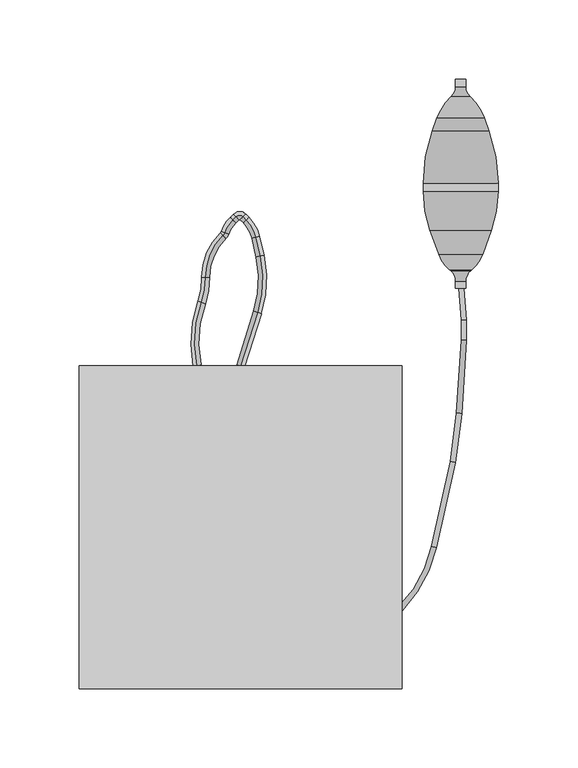
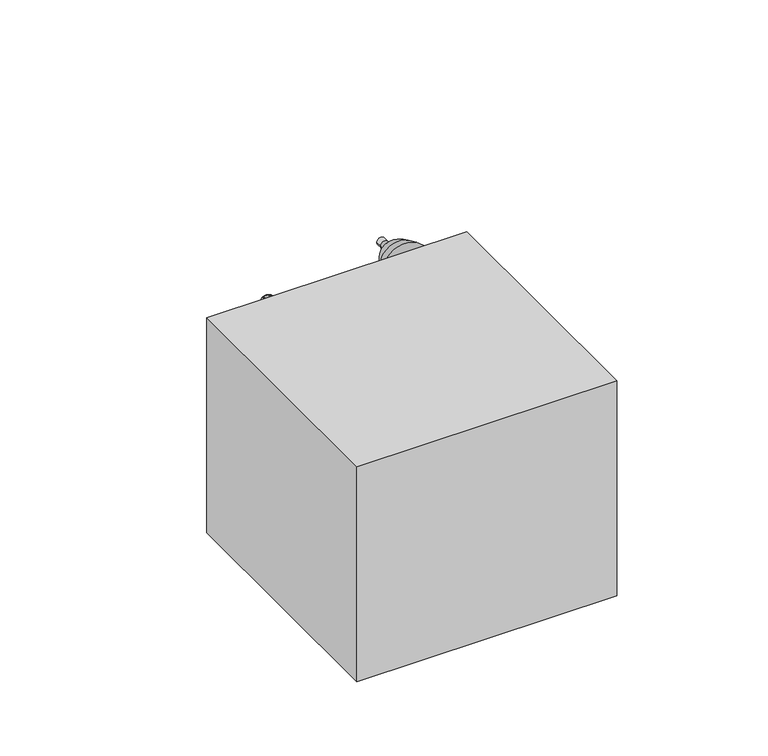
"""IFC4 building model written with IfcOpenShell, lengths in millimetres: proxy geometry."""

from ifc_helpers import new_model, si_unit, point, frame, frame_2d, origin, origin_with_axes, place, context, project, spatial, polyline, circle_curve, ellipse_curve, trimmed, segment, composite_curve, outline, extrude, source, transform, mapped, element, save
from ifc_brep_helpers import plane_surface, cylinder_surface, revolved_surface, extruded_surface, advanced_brep


def specialty_equipment_44eabff9(model_context):
    return source(origin(), model_context, "Body", "SolidModel", [
        advanced_brep(
        [(0.0, 0.0, 93.3890108), (0.0, 0.0, 103.4609892), (10.60129, 33.4899695, 103.4609892), (10.60129, 33.4899695, 93.3890108), (12.1452256, 68.8519095, 103.4609892), (12.1452256, 68.8519095, 93.3890108), (9.4902706, 80.7634297, 103.4609892), (9.4902706, 80.7634297, 93.3890108), (3.5257448, 91.6206606, 103.4609892), (3.5257448, 91.6206606, 93.3890108), (1.489236, 93.6571694, 103.4609892), (1.489236, 93.6571694, 93.3890108), (-2.7411458, 93.6571694, 103.4609892), (-2.7411458, 93.6571694, 93.3890108), (-4.6658712, 91.732444, 103.4609892), (-4.6658712, 91.732444, 93.3890108), (-9.7582734, 83.8141156, 103.4609892), (-9.7582734, 83.8141156, 93.3890108), (-10.9708227, 81.9675873, 103.4609892), (-10.9708227, 81.9675873, 93.3890108), (-21.9594666, 55.7504476, 103.4609892), (-21.9594666, 55.7504476, 93.3890108), (-24.5939327, 39.9510684, 103.4609892), (-24.5939327, 39.9510684, 93.3890108), (-27.3580457, 0.1117834, 93.3890108), (-27.3580457, 0.1117834, 103.4609892)],
        [
            (0, 1, ellipse_curve(frame((0.0, 0.0, 98.425), z_axis=(-0.30179165133573443, -0.9533739031377199, 0.0), x_axis=(0.0, 0.0, 1.0)), 5.0359892, 2.5179946)),
            (1, 0, ellipse_curve(frame((0.0, 0.0, 98.425), z_axis=(-0.30179165133573443, -0.9533739031377199, 0.0), x_axis=(0.0, 0.0, 1.0)), 5.0359892, 2.5179946)),
            (1, 2),
            (2, 3, ellipse_curve(frame((10.60129, 33.4899695, 98.425), z_axis=(-0.3017916513357344, -0.9533739031377201, 0.0), x_axis=(0.0, 0.0, 1.0)), 5.0359892, 2.5179946)),
            (3, 0),
            (3, 2, ellipse_curve(frame((10.60129, 33.4899695, 98.425), z_axis=(-0.3017916513357344, -0.9533739031377201, 0.0), x_axis=(0.0, 0.0, 1.0)), 5.0359892, 2.5179946)),
            (4, 5, ellipse_curve(frame((12.1452256, 68.8519095, 98.425), z_axis=(0.21755123234481016, -0.976048903132038, 0.0), x_axis=(0.0, 0.0, 1.0)), 5.0359892, 2.5179946)),
            (5, 3, circle_curve(frame((-54.3137244, 54.0388951, 93.3890108), z_axis=(0.0, 0.0, -1.0), x_axis=(0.9533739031377199, -0.3017916513357344, 0.0)), 68.0897748)),
            (2, 4, circle_curve(frame((-54.3137244, 54.0388951, 103.4609892), z_axis=(0.0, 0.0, 1.0), x_axis=(0.9533739031377199, -0.3017916513357344, 0.0)), 68.0897748)),
            (5, 4, ellipse_curve(frame((12.1452256, 68.8519095, 98.425), z_axis=(0.21755123234481044, -0.9760489031320381, 0.0), x_axis=(0.0, 0.0, 1.0)), 5.0359892, 2.5179946)),
            (4, 6),
            (6, 7, ellipse_curve(frame((9.4902706, 80.7634297, 98.425), z_axis=(0.21755123234481058, -0.9760489031320381, 0.0), x_axis=(0.0, 0.0, 1.0)), 5.0359892, 2.5179946)),
            (7, 5),
            (7, 6, ellipse_curve(frame((9.4902706, 80.7634297, 98.425), z_axis=(0.21755123234481058, -0.9760489031320381, 0.0), x_axis=(0.0, 0.0, 1.0)), 5.0359892, 2.5179946)),
            (8, 9, ellipse_curve(frame((3.5257448, 91.6206606, 98.425), z_axis=(0.7071067811865475, -0.7071067811865477, 0.0), x_axis=(0.0, 0.0, 1.0)), 5.0359892, 2.5179946)),
            (9, 7, circle_curve(frame((-12.1562786, 75.9386371, 93.3890108), z_axis=(0.0, 0.0, -1.0), x_axis=(0.9760489031320378, 0.21755123234481052, 0.0)), 22.1777302)),
            (6, 8, circle_curve(frame((-12.1562786, 75.9386371, 103.4609892), z_axis=(0.0, 0.0, 1.0), x_axis=(0.9760489031320378, 0.21755123234481052, 0.0)), 22.1777302)),
            (9, 8, ellipse_curve(frame((3.5257448, 91.6206606, 98.425), z_axis=(0.7071067811865479, -0.7071067811865472, 0.0), x_axis=(0.0, 0.0, 1.0)), 5.0359892, 2.5179946)),
            (8, 10),
            (10, 11, ellipse_curve(frame((1.489236, 93.6571694, 98.425), z_axis=(0.7071067811865424, -0.7071067811865528, 0.0), x_axis=(0.0, 0.0, 1.0)), 5.0359892, 2.5179946)),
            (11, 9),
            (11, 10, ellipse_curve(frame((1.489236, 93.6571694, 98.425), z_axis=(0.7071067811865424, -0.7071067811865528, 0.0), x_axis=(0.0, 0.0, 1.0)), 5.0359892, 2.5179946)),
            (12, 13, ellipse_curve(frame((-2.7411458, 93.6571694, 98.425), z_axis=(0.7071067811865475, 0.7071067811865477, 0.0), x_axis=(0.0, 0.0, 1.0)), 5.0359892, 2.5179946)),
            (13, 11, circle_curve(frame((-0.6259549, 91.5419785, 93.3890108), z_axis=(0.0, 0.0, -1.0), x_axis=(0.7071067811865528, 0.7071067811865424, 0.0)), 2.9913317)),
            (10, 12, circle_curve(frame((-0.6259549, 91.5419785, 103.4609892), z_axis=(0.0, 0.0, 1.0), x_axis=(0.7071067811865528, 0.7071067811865424, 0.0)), 2.9913317)),
            (13, 12, ellipse_curve(frame((-2.7411458, 93.6571694, 98.425), z_axis=(0.707106781186545, 0.7071067811865501, 0.0), x_axis=(0.0, 0.0, 1.0)), 5.0359892, 2.5179946)),
            (12, 14),
            (14, 15, ellipse_curve(frame((-4.6658712, 91.732444, 98.425), z_axis=(0.7071067811865434, 0.7071067811865517, 0.0), x_axis=(0.0, 0.0, 1.0)), 5.0359892, 2.5179946)),
            (15, 13),
            (15, 14, ellipse_curve(frame((-4.6658712, 91.732444, 98.425), z_axis=(0.7071067811865434, 0.7071067811865517, 0.0), x_axis=(0.0, 0.0, 1.0)), 5.0359892, 2.5179946)),
            (16, 17, ellipse_curve(frame((-9.7582734, 83.8141156, 98.425), z_axis=(0.35006716200403615, 0.9367246031179283, 0.0), x_axis=(0.0, 0.0, 1.0)), 5.0359892, 2.5179946)),
            (17, 15, circle_curve(frame((11.0161522, 76.0504205, 93.3890108), z_axis=(0.0, 0.0, -1.0), x_axis=(-0.7071067811865517, 0.7071067811865434, 0.0)), 22.1777302)),
            (14, 16, circle_curve(frame((11.0161522, 76.0504205, 103.4609892), z_axis=(0.0, 0.0, 1.0), x_axis=(-0.7071067811865517, 0.7071067811865434, 0.0)), 22.1777302)),
            (17, 16, ellipse_curve(frame((-9.7582734, 83.8141156, 98.425), z_axis=(0.35006716200403576, 0.9367246031179283, 0.0), x_axis=(0.0, 0.0, 1.0)), 5.0359892, 2.5179946)),
            (18, 19, ellipse_curve(frame((-10.9708227, 81.9675873, 98.425), z_axis=(0.7204486556395677, 0.6935082801143326, 0.0), x_axis=(0.0, 0.0, 1.0)), 5.0359892, 2.5179946)),
            (19, 17, circle_curve(frame((-14.4282922, 85.5593673, 93.3890108), z_axis=(0.0, 0.0, 1.0), x_axis=(0.9367246031179312, -0.3500671620040279, 0.0)), 4.9854768)),
            (16, 18, circle_curve(frame((-14.4282922, 85.5593673, 103.4609892), z_axis=(0.0, 0.0, -1.0), x_axis=(0.9367246031179312, -0.3500671620040279, 0.0)), 4.9854768)),
            (19, 18, ellipse_curve(frame((-10.9708227, 81.9675873, 98.425), z_axis=(0.7204486556395684, 0.693508280114332, 0.0), x_axis=(0.0, 0.0, 1.0)), 5.0359892, 2.5179946)),
            (20, 21, ellipse_curve(frame((-21.9594666, 55.7504476, 98.425), z_axis=(-0.010655908230738531, 0.9999432241981432, 0.0), x_axis=(0.0, 0.0, 1.0)), 5.0359892, 2.5179946)),
            (21, 19, circle_curve(frame((13.8981281, 56.1325645, 93.3890108), z_axis=(0.0, 0.0, -1.0), x_axis=(-0.6935082801143324, 0.7204486556395678, 0.0)), 35.8596307)),
            (18, 20, circle_curve(frame((13.8981281, 56.1325645, 103.4609892), z_axis=(0.0, 0.0, 1.0), x_axis=(-0.6935082801143324, 0.7204486556395678, 0.0)), 35.8596307)),
            (21, 20, ellipse_curve(frame((-21.9594666, 55.7504476, 98.425), z_axis=(-0.010655908230738587, 0.9999432241981432, 0.0), x_axis=(0.0, 0.0, 1.0)), 5.0359892, 2.5179946)),
            (22, 23, ellipse_curve(frame((-24.5939327, 39.9510684, 98.425), z_axis=(0.3345293139852315, 0.9423853447950952, 0.0), x_axis=(0.0, 0.0, 1.0)), 5.0359892, 2.5179946)),
            (23, 21, circle_curve(frame((-67.7275968, 55.2627189, 93.3890108), z_axis=(0.0, 0.0, 1.0), x_axis=(0.9999432241981431, 0.010655908230754234, 0.0)), 45.7707289)),
            (20, 22, circle_curve(frame((-67.7275968, 55.2627189, 103.4609892), z_axis=(0.0, 0.0, -1.0), x_axis=(0.9999432241981431, 0.010655908230754234, 0.0)), 45.7707289)),
            (23, 22, ellipse_curve(frame((-24.5939327, 39.9510684, 98.425), z_axis=(0.3345293139852315, 0.9423853447950952, 0.0), x_axis=(0.0, 0.0, 1.0)), 5.0359892, 2.5179946)),
            (24, 25, ellipse_curve(frame((-27.3580457, 0.1117834, 98.425), z_axis=(0.2011821163330489, -0.9795538556239548, 0.0), x_axis=(0.0, 0.0, 1.0)), 5.0359892, 2.5179946)),
            (25, 24, ellipse_curve(frame((-27.3580457, 0.1117834, 98.425), z_axis=(0.2011821163330489, -0.9795538556239548, 0.0), x_axis=(0.0, 0.0, 1.0)), 5.0359892, 2.5179946)),
            (24, 23, circle_curve(frame((45.4884963, 15.0731063, 93.3890108), z_axis=(0.0, 0.0, -1.0), x_axis=(-0.9423853447950952, 0.33452931398523145, 0.0)), 74.3670617)),
            (22, 25, circle_curve(frame((45.4884963, 15.0731063, 103.4609892), z_axis=(0.0, 0.0, 1.0), x_axis=(-0.9423853447950952, 0.33452931398523145, 0.0)), 74.3670617)),
        ],
        [
            plane_surface(frame((0.0, 0.0, 98.425), z_axis=(-0.30179165133573443, -0.9533739031377199, 0.0), x_axis=(0.0, 0.0, 1.0))),
            extruded_surface(trimmed(ellipse_curve(frame((0.0, 0.0, 98.425), z_axis=(0.30179165133573443, 0.9533739031377199, 0.0), x_axis=(0.0, 0.0, 1.0)), 5.0359892, 2.5179946), [point((0.0, 0.0, 93.3890108))], [point((0.0, 0.0, 103.4609892))], True, "CARTESIAN"), (10.60129, 33.4899695, 0.0), 35.1278437535672),
            extruded_surface(trimmed(ellipse_curve(frame((0.0, 0.0, 98.425), z_axis=(0.30179165133573443, 0.9533739031377199, 0.0), x_axis=(0.0, 0.0, 1.0)), 5.0359892, 2.5179946), [point((0.0, 0.0, 103.4609892))], [point((0.0, 0.0, 93.3890108))], True, "CARTESIAN"), (10.60129, 33.4899695, 0.0), 35.1278437535672),
            revolved_surface(trimmed(ellipse_curve(frame((10.60129, 33.4899695, 98.425), z_axis=(0.3017916513357343, 0.9533739031377199, 0.0), x_axis=(0.0, 0.0, 1.0)), 5.0359892, 2.5179946), [point((10.60129, 33.4899695, 93.3890108))], [point((10.60129, 33.4899695, 103.4609892))], True, "CARTESIAN"), (-54.3137244, 54.0388951, 98.425), (0.0, 0.0, -1.0)),
            revolved_surface(trimmed(ellipse_curve(frame((10.60129, 33.4899695, 98.425), z_axis=(0.3017916513357343, 0.9533739031377199, 0.0), x_axis=(0.0, 0.0, 1.0)), 5.0359892, 2.5179946), [point((10.60129, 33.4899695, 103.4609892))], [point((10.60129, 33.4899695, 93.3890108))], True, "CARTESIAN"), (-54.3137244, 54.0388951, 98.425), (0.0, 0.0, -1.0)),
            extruded_surface(trimmed(ellipse_curve(frame((12.1452256, 68.8519095, 98.425), z_axis=(-0.2175512323448103, 0.976048903132038, 0.0), x_axis=(0.0, 0.0, 1.0)), 5.0359892, 2.5179946), [point((12.1452256, 68.8519095, 93.3890108))], [point((12.1452256, 68.8519095, 103.4609892))], True, "CARTESIAN"), (-2.6549549999999993, 11.911520199999998, 0.0), 12.203814957915126),
            extruded_surface(trimmed(ellipse_curve(frame((12.1452256, 68.8519095, 98.425), z_axis=(-0.2175512323448103, 0.976048903132038, 0.0), x_axis=(0.0, 0.0, 1.0)), 5.0359892, 2.5179946), [point((12.1452256, 68.8519095, 103.4609892))], [point((12.1452256, 68.8519095, 93.3890108))], True, "CARTESIAN"), (-2.6549549999999993, 11.911520199999998, 0.0), 12.203814957915126),
            revolved_surface(trimmed(ellipse_curve(frame((9.4902706, 80.7634297, 98.425), z_axis=(-0.21755123234481052, 0.9760489031320378, 0.0), x_axis=(0.0, 0.0, 1.0)), 5.0359892, 2.5179946), [point((9.4902706, 80.7634297, 93.3890108))], [point((9.4902706, 80.7634297, 103.4609892))], True, "CARTESIAN"), (-12.1562786, 75.9386371, 98.425), (0.0, 0.0, -1.0)),
            revolved_surface(trimmed(ellipse_curve(frame((9.4902706, 80.7634297, 98.425), z_axis=(-0.21755123234481052, 0.9760489031320378, 0.0), x_axis=(0.0, 0.0, 1.0)), 5.0359892, 2.5179946), [point((9.4902706, 80.7634297, 103.4609892))], [point((9.4902706, 80.7634297, 93.3890108))], True, "CARTESIAN"), (-12.1562786, 75.9386371, 98.425), (0.0, 0.0, -1.0)),
            extruded_surface(trimmed(ellipse_curve(frame((3.5257448, 91.6206606, 98.425), z_axis=(-0.707106781186548, 0.707106781186547, 0.0), x_axis=(0.0, 0.0, 1.0)), 5.0359892, 2.5179946), [point((3.5257448, 91.6206606, 93.3890108))], [point((3.5257448, 91.6206606, 103.4609892))], True, "CARTESIAN"), (-2.0365088, 2.036508800000007, 0.0), 2.8800583648521623),
            extruded_surface(trimmed(ellipse_curve(frame((3.5257448, 91.6206606, 98.425), z_axis=(-0.707106781186548, 0.707106781186547, 0.0), x_axis=(0.0, 0.0, 1.0)), 5.0359892, 2.5179946), [point((3.5257448, 91.6206606, 103.4609892))], [point((3.5257448, 91.6206606, 93.3890108))], True, "CARTESIAN"), (-2.0365088, 2.036508800000007, 0.0), 2.8800583648521623),
            revolved_surface(trimmed(ellipse_curve(frame((1.489236, 93.6571694, 98.425), z_axis=(-0.7071067811865424, 0.7071067811865528, 0.0), x_axis=(0.0, 0.0, 1.0)), 5.0359892, 2.5179946), [point((1.489236, 93.6571694, 93.3890108))], [point((1.489236, 93.6571694, 103.4609892))], True, "CARTESIAN"), (-0.6259549, 91.5419785, 98.425), (0.0, 0.0, -1.0)),
            revolved_surface(trimmed(ellipse_curve(frame((1.489236, 93.6571694, 98.425), z_axis=(-0.7071067811865424, 0.7071067811865528, 0.0), x_axis=(0.0, 0.0, 1.0)), 5.0359892, 2.5179946), [point((1.489236, 93.6571694, 103.4609892))], [point((1.489236, 93.6571694, 93.3890108))], True, "CARTESIAN"), (-0.6259549, 91.5419785, 98.425), (0.0, 0.0, -1.0)),
            extruded_surface(trimmed(ellipse_curve(frame((-2.7411458, 93.6571694, 98.425), z_axis=(-0.707106781186542, -0.7071067811865531, 0.0), x_axis=(0.0, 0.0, 1.0)), 5.0359892, 2.5179946), [point((-2.7411458, 93.6571694, 93.3890108))], [point((-2.7411458, 93.6571694, 103.4609892))], True, "CARTESIAN"), (-1.9247253999999998, -1.9247253999999998, 0.0), 2.72197276452398),
            extruded_surface(trimmed(ellipse_curve(frame((-2.7411458, 93.6571694, 98.425), z_axis=(-0.707106781186542, -0.7071067811865531, 0.0), x_axis=(0.0, 0.0, 1.0)), 5.0359892, 2.5179946), [point((-2.7411458, 93.6571694, 103.4609892))], [point((-2.7411458, 93.6571694, 93.3890108))], True, "CARTESIAN"), (-1.9247253999999998, -1.9247253999999998, 0.0), 2.72197276452398),
            revolved_surface(trimmed(ellipse_curve(frame((-4.6658712, 91.732444, 98.425), z_axis=(-0.7071067811865434, -0.7071067811865517, 0.0), x_axis=(0.0, 0.0, 1.0)), 5.0359892, 2.5179946), [point((-4.6658712, 91.732444, 93.3890108))], [point((-4.6658712, 91.732444, 103.4609892))], True, "CARTESIAN"), (11.0161522, 76.0504205, 98.425), (0.0, 0.0, -1.0)),
            revolved_surface(trimmed(ellipse_curve(frame((-4.6658712, 91.732444, 98.425), z_axis=(-0.7071067811865434, -0.7071067811865517, 0.0), x_axis=(0.0, 0.0, 1.0)), 5.0359892, 2.5179946), [point((-4.6658712, 91.732444, 103.4609892))], [point((-4.6658712, 91.732444, 93.3890108))], True, "CARTESIAN"), (11.0161522, 76.0504205, 98.425), (0.0, 0.0, -1.0)),
            revolved_surface(trimmed(ellipse_curve(frame((-9.7582734, 83.8141156, 98.425), z_axis=(-0.350067162004028, -0.9367246031179312, 0.0), x_axis=(0.0, 0.0, 1.0)), 5.0359892, 2.5179946), [point((-9.7582734, 83.8141156, 93.3890108))], [point((-9.7582734, 83.8141156, 103.4609892))], True, "CARTESIAN"), (-14.4282922, 85.5593673, 98.425), (0.0, 0.0, 1.0)),
            revolved_surface(trimmed(ellipse_curve(frame((-9.7582734, 83.8141156, 98.425), z_axis=(-0.350067162004028, -0.9367246031179312, 0.0), x_axis=(0.0, 0.0, 1.0)), 5.0359892, 2.5179946), [point((-9.7582734, 83.8141156, 103.4609892))], [point((-9.7582734, 83.8141156, 93.3890108))], True, "CARTESIAN"), (-14.4282922, 85.5593673, 98.425), (0.0, 0.0, 1.0)),
            revolved_surface(trimmed(ellipse_curve(frame((-10.9708227, 81.9675873, 98.425), z_axis=(-0.7204486556395681, -0.6935082801143322, 0.0), x_axis=(0.0, 0.0, 1.0)), 5.0359892, 2.5179946), [point((-10.9708227, 81.9675873, 93.3890108))], [point((-10.9708227, 81.9675873, 103.4609892))], True, "CARTESIAN"), (13.8981281, 56.1325645, 98.425), (0.0, 0.0, -1.0)),
            revolved_surface(trimmed(ellipse_curve(frame((-10.9708227, 81.9675873, 98.425), z_axis=(-0.7204486556395681, -0.6935082801143322, 0.0), x_axis=(0.0, 0.0, 1.0)), 5.0359892, 2.5179946), [point((-10.9708227, 81.9675873, 103.4609892))], [point((-10.9708227, 81.9675873, 93.3890108))], True, "CARTESIAN"), (13.8981281, 56.1325645, 98.425), (0.0, 0.0, -1.0)),
            revolved_surface(trimmed(ellipse_curve(frame((-21.9594666, 55.7504476, 98.425), z_axis=(0.010655908230753961, -0.9999432241981431, 0.0), x_axis=(0.0, 0.0, 1.0)), 5.0359892, 2.5179946), [point((-21.9594666, 55.7504476, 93.3890108))], [point((-21.9594666, 55.7504476, 103.4609892))], True, "CARTESIAN"), (-67.7275968, 55.2627189, 98.425), (0.0, 0.0, 1.0)),
            revolved_surface(trimmed(ellipse_curve(frame((-21.9594666, 55.7504476, 98.425), z_axis=(0.010655908230753961, -0.9999432241981431, 0.0), x_axis=(0.0, 0.0, 1.0)), 5.0359892, 2.5179946), [point((-21.9594666, 55.7504476, 103.4609892))], [point((-21.9594666, 55.7504476, 93.3890108))], True, "CARTESIAN"), (-67.7275968, 55.2627189, 98.425), (0.0, 0.0, 1.0)),
            plane_surface(frame((-27.3580457, 0.1117834, 98.425), z_axis=(0.201182116333049, -0.9795538556239548, 0.0), x_axis=(0.0, 0.0, 1.0))),
            revolved_surface(trimmed(ellipse_curve(frame((-24.5939327, 39.9510684, 98.425), z_axis=(-0.3345293139852318, -0.9423853447950951, 0.0), x_axis=(0.0, 0.0, 1.0)), 5.0359892, 2.5179946), [point((-24.5939327, 39.9510684, 93.3890108))], [point((-24.5939327, 39.9510684, 103.4609892))], True, "CARTESIAN"), (45.4884963, 15.0731063, 98.425), (0.0, 0.0, -1.0)),
            revolved_surface(trimmed(ellipse_curve(frame((-24.5939327, 39.9510684, 98.425), z_axis=(-0.3345293139852318, -0.9423853447950951, 0.0), x_axis=(0.0, 0.0, 1.0)), 5.0359892, 2.5179946), [point((-24.5939327, 39.9510684, 103.4609892))], [point((-24.5939327, 39.9510684, 93.3890108))], True, "CARTESIAN"), (45.4884963, 15.0731063, 98.425), (0.0, 0.0, -1.0)),
        ],
        [
            (0, [[1, 2]]),
            (1, [[3, 4, 5, -2]]),
            (2, [[-5, 6, -3, -1]]),
            (3, [[7, 8, -4, 9]]),
            (4, [[10, -9, -6, -8]]),
            (5, [[11, 12, 13, -7]]),
            (6, [[-13, 14, -11, -10]]),
            (7, [[15, 16, -12, 17]]),
            (8, [[18, -17, -14, -16]]),
            (9, [[19, 20, 21, -15]]),
            (10, [[-21, 22, -19, -18]]),
            (11, [[23, 24, -20, 25]]),
            (12, [[26, -25, -22, -24]]),
            (13, [[27, 28, 29, -23]]),
            (14, [[-29, 30, -27, -26]]),
            (15, [[31, 32, -28, 33]]),
            (16, [[34, -33, -30, -32]]),
            (17, [[35, 36, -31, 37]]),
            (18, [[38, -37, -34, -36]]),
            (19, [[39, 40, -35, 41]]),
            (20, [[42, -41, -38, -40]]),
            (21, [[43, 44, -39, 45]]),
            (22, [[46, -45, -42, -44]]),
            (23, [[47, 48]]),
            (24, [[-47, 49, -43, 50]]),
            (25, [[-48, -50, -46, -49]]),
        ],
    ),
        advanced_brep(
        [(138.1282079, 48.8005767, 47.6946196), (135.3817713, 48.8005767, 47.6946196), (141.8571136, 48.8005767, 47.6946196), (139.110677, 48.8005767, 47.6946196), (138.1282079, 180.1855223, 47.6946196), (139.110677, 180.1855223, 47.6946196), (135.3817713, 180.1855223, 47.6946196), (141.8571136, 180.1855223, 47.6946196), (135.3817713, 175.5632852, 47.6946196), (141.8571136, 175.5632852, 47.6946196), (132.7169258, 169.4696535, 47.6946196), (144.5219592, 169.4696535, 47.6946196), (123.7575473, 155.9951928, 47.6946196), (153.4813376, 155.9951928, 47.6946196), (120.8482177, 148.0018755, 47.6946196), (156.3906672, 148.0018755, 47.6946196), (114.9866942, 114.7595239, 47.6946196), (162.2521907, 114.7595239, 47.6946196), (114.9866942, 109.7483973, 47.6946196), (162.2521907, 109.7483973, 47.6946196), (119.3165907, 85.1923341, 47.6946196), (157.9222942, 85.1923341, 47.6946196), (124.8056359, 70.1113063, 47.6946196), (152.433249, 70.1113063, 47.6946196), (131.6106524, 60.3927356, 47.6946196), (145.6282325, 60.3927356, 47.6946196), (132.2844617, 59.8273424, 47.6946196), (144.9544232, 59.8273424, 47.6946196), (135.3817713, 53.1851407, 47.6946196), (141.8571136, 53.1851407, 47.6946196)],
        [
            (0, 1),
            (1, 2, circle_curve(frame((138.6194425, 48.8005767, 47.6946196), z_axis=(0.0, -1.0, 0.0), x_axis=(1.0, 0.0, 0.0)), 3.2376712)),
            (2, 3),
            (3, 0, circle_curve(frame((138.6194425, 48.8005767, 47.6946196), z_axis=(0.0, 1.0, 0.0), x_axis=(1.0, 0.0, 0.0)), 0.4912345)),
            (2, 1, circle_curve(frame((138.6194425, 48.8005767, 47.6946196), z_axis=(0.0, -1.0, 0.0), x_axis=(1.0, 0.0, 0.0)), 3.2376712)),
            (0, 3, circle_curve(frame((138.6194425, 48.8005767, 47.6946196), z_axis=(0.0, 1.0, 0.0), x_axis=(1.0, 0.0, 0.0)), 0.4912345)),
            (4, 0),
            (3, 5),
            (5, 4, circle_curve(frame((138.6194425, 180.1855223, 47.6946196), z_axis=(0.0, 1.0, 0.0), x_axis=(1.0, 0.0, 0.0)), 0.4912345)),
            (4, 5, circle_curve(frame((138.6194425, 180.1855223, 47.6946196), z_axis=(0.0, 1.0, 0.0), x_axis=(1.0, 0.0, 0.0)), 0.4912345)),
            (6, 4),
            (5, 7),
            (7, 6, circle_curve(frame((138.6194425, 180.1855223, 47.6946196), z_axis=(0.0, 1.0, 0.0), x_axis=(1.0, 0.0, 0.0)), 3.2376712)),
            (6, 7, circle_curve(frame((138.6194425, 180.1855223, 47.6946196), z_axis=(0.0, 1.0, 0.0), x_axis=(1.0, 0.0, 0.0)), 3.2376712)),
            (8, 6),
            (7, 9),
            (9, 8, circle_curve(frame((138.6194425, 175.5632852, 47.6946196), z_axis=(0.0, 1.0, 0.0), x_axis=(1.0, 0.0, 0.0)), 3.2376712)),
            (8, 9, circle_curve(frame((138.6194425, 175.5632852, 47.6946196), z_axis=(0.0, 1.0, 0.0), x_axis=(1.0, 0.0, 0.0)), 3.2376712)),
            (10, 8, circle_curve(frame((127.0822753, 175.5632852, 47.6946196), z_axis=(0.0, 0.0, 1.0), x_axis=(-1.0, 0.0, 0.0)), 8.299496)),
            (9, 11, circle_curve(frame((150.1566096, 175.5632852, 47.6946196), z_axis=(0.0, 0.0, 1.0), x_axis=(1.0, 0.0, 0.0)), 8.299496)),
            (11, 10, circle_curve(frame((138.6194425, 169.4696535, 47.6946196), z_axis=(0.0, 1.0, 0.0), x_axis=(1.0, 0.0, 0.0)), 5.9025167)),
            (10, 11, circle_curve(frame((138.6194425, 169.4696535, 47.6946196), z_axis=(0.0, 1.0, 0.0), x_axis=(1.0, 0.0, 0.0)), 5.9025167)),
            (12, 10, circle_curve(frame((156.0419683, 144.2446246, 47.6946196), z_axis=(0.0, 0.0, -1.0), x_axis=(-1.0, 0.0, 0.0)), 34.3563632)),
            (11, 13, circle_curve(frame((121.1969167, 144.2446246, 47.6946196), z_axis=(0.0, 0.0, -1.0), x_axis=(1.0, 0.0, 0.0)), 34.3563632)),
            (13, 12, circle_curve(frame((138.6194425, 155.9951928, 47.6946196), z_axis=(0.0, 1.0, 0.0), x_axis=(1.0, 0.0, 0.0)), 14.8618952)),
            (12, 13, circle_curve(frame((138.6194425, 155.9951928, 47.6946196), z_axis=(0.0, 1.0, 0.0), x_axis=(1.0, 0.0, 0.0)), 14.8618952)),
            (14, 12),
            (13, 15),
            (15, 14, circle_curve(frame((138.6194425, 148.0018755, 47.6946196), z_axis=(0.0, 1.0, 0.0), x_axis=(1.0, 0.0, 0.0)), 17.7712248)),
            (14, 15, circle_curve(frame((138.6194425, 148.0018755, 47.6946196), z_axis=(0.0, 1.0, 0.0), x_axis=(1.0, 0.0, 0.0)), 17.7712248)),
            (16, 14, circle_curve(frame((212.1808279, 114.7595239, 47.6946196), z_axis=(0.0, 0.0, -1.0), x_axis=(-1.0, 0.0, 0.0)), 97.1941337)),
            (15, 17, circle_curve(frame((65.058057, 114.7595239, 47.6946196), z_axis=(0.0, 0.0, -1.0), x_axis=(1.0, 0.0, 0.0)), 97.1941337)),
            (17, 16, circle_curve(frame((138.6194425, 114.7595239, 47.6946196), z_axis=(0.0, 1.0, 0.0), x_axis=(1.0, 0.0, 0.0)), 23.6327482)),
            (16, 17, circle_curve(frame((138.6194425, 114.7595239, 47.6946196), z_axis=(0.0, 1.0, 0.0), x_axis=(1.0, 0.0, 0.0)), 23.6327482)),
            (18, 16),
            (17, 19),
            (19, 18, circle_curve(frame((138.6194425, 109.7483973, 47.6946196), z_axis=(0.0, 1.0, 0.0), x_axis=(1.0, 0.0, 0.0)), 23.6327482)),
            (18, 19, circle_curve(frame((138.6194425, 109.7483973, 47.6946196), z_axis=(0.0, 1.0, 0.0), x_axis=(1.0, 0.0, 0.0)), 23.6327482)),
            (20, 18, circle_curve(frame((186.7838197, 109.7483973, 47.6946196), z_axis=(0.0, 0.0, -1.0), x_axis=(-1.0, 0.0, 0.0)), 71.7971255)),
            (19, 21, circle_curve(frame((90.4550652, 109.7483973, 47.6946196), z_axis=(0.0, 0.0, -1.0), x_axis=(1.0, 0.0, 0.0)), 71.7971255)),
            (21, 20, circle_curve(frame((138.6194425, 85.1923341, 47.6946196), z_axis=(0.0, 1.0, 0.0), x_axis=(1.0, 0.0, 0.0)), 19.3028518)),
            (20, 21, circle_curve(frame((138.6194425, 85.1923341, 47.6946196), z_axis=(0.0, 1.0, 0.0), x_axis=(1.0, 0.0, 0.0)), 19.3028518)),
            (22, 20),
            (21, 23),
            (23, 22, circle_curve(frame((138.6194425, 70.1113063, 47.6946196), z_axis=(0.0, 1.0, 0.0), x_axis=(1.0, 0.0, 0.0)), 13.8138065)),
            (22, 23, circle_curve(frame((138.6194425, 70.1113063, 47.6946196), z_axis=(0.0, 1.0, 0.0), x_axis=(1.0, 0.0, 0.0)), 13.8138065)),
            (24, 22, circle_curve(frame((146.3432441, 77.9503546, 47.6946196), z_axis=(0.0, 0.0, -1.0), x_axis=(-1.0, 0.0, 0.0)), 22.9198439)),
            (23, 25, circle_curve(frame((130.8956408, 77.9503546, 47.6946196), z_axis=(0.0, 0.0, -1.0), x_axis=(1.0, 0.0, 0.0)), 22.9198439)),
            (25, 24, circle_curve(frame((138.6194425, 60.3927356, 47.6946196), z_axis=(0.0, 1.0, 0.0), x_axis=(1.0, 0.0, 0.0)), 7.00879)),
            (24, 25, circle_curve(frame((138.6194425, 60.3927356, 47.6946196), z_axis=(0.0, 1.0, 0.0), x_axis=(1.0, 0.0, 0.0)), 7.00879)),
            (26, 24),
            (25, 27),
            (27, 26, circle_curve(frame((138.6194425, 59.8273424, 47.6946196), z_axis=(0.0, 1.0, 0.0), x_axis=(1.0, 0.0, 0.0)), 6.3349807)),
            (26, 27, circle_curve(frame((138.6194425, 59.8273424, 47.6946196), z_axis=(0.0, 1.0, 0.0), x_axis=(1.0, 0.0, 0.0)), 6.3349807)),
            (28, 26, circle_curve(frame((126.7109927, 53.1851407, 47.6946196), z_axis=(0.0, 0.0, 1.0), x_axis=(-1.0, 0.0, 0.0)), 8.6707786)),
            (27, 29, circle_curve(frame((150.5278923, 53.1851407, 47.6946196), z_axis=(0.0, 0.0, 1.0), x_axis=(1.0, 0.0, 0.0)), 8.6707786)),
            (29, 28, circle_curve(frame((138.6194425, 53.1851407, 47.6946196), z_axis=(0.0, 1.0, 0.0), x_axis=(1.0, 0.0, 0.0)), 3.2376712)),
            (28, 29, circle_curve(frame((138.6194425, 53.1851407, 47.6946196), z_axis=(0.0, 1.0, 0.0), x_axis=(1.0, 0.0, 0.0)), 3.2376712)),
            (1, 28),
            (29, 2),
        ],
        [
            plane_surface(frame((138.6194425, 48.8005767, 47.6946196), z_axis=(0.0, -1.0, 0.0), x_axis=(1.0, 0.0, 0.0))),
            revolved_surface(polyline([(139.11067699999998, 48.8005767, 47.6946196), (139.11067699999998, 180.1855223, 47.6946196)]), (138.6194425, 48.8005767, 47.6946196), (0.0, -1.0, 0.0)),
            plane_surface(frame((138.6194425, 180.1855223, 47.6946196), z_axis=(0.0, 1.0, 0.0), x_axis=(1.0, 0.0, 0.0))),
            cylinder_surface(frame((138.6194425, 48.8005767, 47.6946196), z_axis=(0.0, -1.0, 0.0), x_axis=(1.0, 0.0, 0.0)), 3.2376712),
            revolved_surface(trimmed(ellipse_curve(frame((150.1566096, 175.5632852, 47.6946196), z_axis=(0.0, 0.0, 1.0), x_axis=(1.0, 0.0, 0.0)), 8.299496, 8.299496), [point((141.8571136, 175.5632852, 47.6946196))], [point((144.5219592, 169.4696535, 47.6946196))], True, "CARTESIAN"), (138.6194425, 48.8005767, 47.6946196), (0.0, -1.0, 0.0)),
            revolved_surface(trimmed(ellipse_curve(frame((121.1969167, 144.2446246, 47.6946196), z_axis=(0.0, 0.0, -1.0), x_axis=(1.0, 0.0, 0.0)), 34.3563632, 34.3563632), [point((144.5219592, 169.4696535, 47.6946196))], [point((153.4813376, 155.9951928, 47.6946196))], True, "CARTESIAN"), (138.6194425, 48.8005767, 47.6946196), (0.0, -1.0, 0.0)),
            revolved_surface(polyline([(153.4813376, 155.9951928, 47.6946196), (156.3906672, 148.0018755, 47.6946196)]), (138.6194425, 48.8005767, 47.6946196), (0.0, -1.0, 0.0)),
            revolved_surface(trimmed(ellipse_curve(frame((65.058057, 114.7595239, 47.6946196), z_axis=(0.0, 0.0, -1.0), x_axis=(1.0, 0.0, 0.0)), 97.1941337, 97.1941337), [point((156.3906672, 148.0018755, 47.6946196))], [point((162.2521907, 114.7595239, 47.6946196))], True, "CARTESIAN"), (138.6194425, 48.8005767, 47.6946196), (0.0, -1.0, 0.0)),
            cylinder_surface(frame((138.6194425, 48.8005767, 47.6946196), z_axis=(0.0, -1.0, 0.0), x_axis=(1.0, 0.0, 0.0)), 23.6327482),
            revolved_surface(trimmed(ellipse_curve(frame((90.4550652, 109.7483973, 47.6946196), z_axis=(0.0, 0.0, -1.0), x_axis=(1.0, 0.0, 0.0)), 71.7971255, 71.7971255), [point((162.2521907, 109.7483973, 47.6946196))], [point((157.9222942, 85.1923341, 47.6946196))], True, "CARTESIAN"), (138.6194425, 48.8005767, 47.6946196), (0.0, -1.0, 0.0)),
            revolved_surface(polyline([(157.9222942, 85.1923341, 47.6946196), (152.433249, 70.1113063, 47.6946196)]), (138.6194425, 48.8005767, 47.6946196), (0.0, -1.0, 0.0)),
            revolved_surface(trimmed(ellipse_curve(frame((130.8956408, 77.9503546, 47.6946196), z_axis=(0.0, 0.0, -1.0), x_axis=(1.0, 0.0, 0.0)), 22.9198439, 22.9198439), [point((152.433249, 70.1113063, 47.6946196))], [point((145.6282325, 60.3927356, 47.6946196))], True, "CARTESIAN"), (138.6194425, 48.8005767, 47.6946196), (0.0, -1.0, 0.0)),
            revolved_surface(polyline([(145.6282325, 60.3927356, 47.6946196), (144.9544232, 59.8273424, 47.6946196)]), (138.6194425, 48.8005767, 47.6946196), (0.0, -1.0, 0.0)),
            revolved_surface(trimmed(ellipse_curve(frame((150.5278923, 53.1851407, 47.6946196), z_axis=(0.0, 0.0, 1.0), x_axis=(1.0, 0.0, 0.0)), 8.6707786, 8.6707786), [point((144.9544232, 59.8273424, 47.6946196))], [point((141.8571136, 53.1851407, 47.6946196))], True, "CARTESIAN"), (138.6194425, 48.8005767, 47.6946196), (0.0, -1.0, 0.0)),
        ],
        [
            (0, [[1, 2, 3, 4]]),
            (0, [[-3, 5, -1, 6]]),
            (1, [[7, -4, 8, 9]]),
            (1, [[-8, -6, -7, 10]]),
            (2, [[11, -9, 12, 13]]),
            (2, [[-12, -10, -11, 14]]),
            (3, [[15, -13, 16, 17]]),
            (3, [[-16, -14, -15, 18]]),
            (4, [[19, -17, 20, 21]]),
            (4, [[-20, -18, -19, 22]]),
            (5, [[23, -21, 24, 25]]),
            (5, [[-24, -22, -23, 26]]),
            (6, [[27, -25, 28, 29]]),
            (6, [[-28, -26, -27, 30]]),
            (7, [[31, -29, 32, 33]]),
            (7, [[-32, -30, -31, 34]]),
            (8, [[35, -33, 36, 37]]),
            (8, [[-36, -34, -35, 38]]),
            (9, [[39, -37, 40, 41]]),
            (9, [[-40, -38, -39, 42]]),
            (10, [[43, -41, 44, 45]]),
            (10, [[-44, -42, -43, 46]]),
            (11, [[47, -45, 48, 49]]),
            (11, [[-48, -46, -47, 50]]),
            (12, [[51, -49, 52, 53]]),
            (12, [[-52, -50, -51, 54]]),
            (13, [[55, -53, 56, 57]]),
            (13, [[-56, -54, -55, 58]]),
            (3, [[59, -57, 60, -2]]),
            (3, [[-60, -58, -59, -5]]),
        ],
    ),
        extrude(outline(composite_curve([segment(polyline([(60.0140495, 56.9161892), (60.0140495, -51.3523862)]), True, "CONTINUOUS"), segment(trimmed(circle_curve(frame_2d((49.7730325, -51.3523862)), 10.2410171), [point((60.0140495, -51.3523862))], [point((49.7730325, -61.5934033))], False, "CARTESIAN"), True, "CONTINUOUS"), segment(polyline([(49.7730325, -61.5934033), (47.625, -61.5934033)]), True, "CONTINUOUS"), segment(trimmed(circle_curve(frame_2d((47.625, -55.2434033)), 6.35), [point((47.625, -61.5934033))], [point((41.275, -55.2434033))], False, "CARTESIAN"), True, "CONTINUOUS"), segment(polyline([(41.275, -55.2434033), (41.275, 56.9161892)]), True, "CONTINUOUS"), segment(trimmed(circle_curve(frame_2d((47.625, 56.9161892)), 6.35), [point((41.275, 56.9161892))], [point((47.625, 63.2661892))], False, "CARTESIAN"), True, "CONTINUOUS"), segment(polyline([(47.625, 63.2661892), (53.6640495, 63.2661892)]), True, "CONTINUOUS"), segment(trimmed(circle_curve(frame_2d((53.6640495, 56.9161892)), 6.35), [point((53.6640495, 63.2661892))], [point((60.0140495, 56.9161892))], False, "CARTESIAN"), True, "CONTINUOUS")], self_intersect=False)), frame((0.0, -184.15, 0.0), z_axis=(0.0, 1.0, 0.0), x_axis=(0.0, 0.0, 1.0)), (0.0, 0.0, 1.0), 49.3242444),
        extrude(outline(polyline([(1.4455759, -86.4782162), (-0.7959523, -86.4782162), (0.3248118, -26.9185099), (1.4455759, -86.4782162)])), frame((0.0, 0.0, 98.425), z_axis=(0.0, 0.0, 1.0), x_axis=(1.0, 0.0, 0.0)), (0.0, 0.0, 1.0), 1.5875),
        advanced_brep(
        [(64.1302409, -157.2064783, 47.6946196), (63.006649, -160.2935217, 47.6946196), (78.2964296, -165.8585468, 47.6946196), (79.4200216, -162.7715033, 47.6946196), (93.3436181, -162.5226654, 47.6946196), (91.020657, -160.1997043, 47.6946196), (101.7868533, -154.0794302, 47.6946196), (99.4638922, -151.7564691, 47.6946196), (123.3936687, -114.6421744, 47.6946196), (120.1855696, -113.9347877, 47.6946196), (135.2214894, -61.0013237, 47.6946196), (132.0133902, -60.2939371, 47.6946196), (139.2461165, -30.2081991, 47.6946196), (135.9885723, -29.7831085, 47.6946196), (142.2495065, 16.0179543, 47.6946196), (138.9643435, 16.0179543, 47.6946196), (142.2495065, 28.7184587, 47.6946196), (138.9643435, 28.7184587, 47.6946196), (137.4726358, 48.678532, 47.6946196), (140.7487182, 48.9226214, 47.6946196)],
        [
            (0, 1, circle_curve(frame((63.568445, -158.75, 47.6946196), z_axis=(-0.9396926207859115, 0.3420201433256602, 0.0), x_axis=(-0.3420201433256602, -0.9396926207859115, 0.0)), 1.6425815)),
            (1, 0, circle_curve(frame((63.568445, -158.75, 47.6946196), z_axis=(-0.9396926207859115, 0.3420201433256602, 0.0), x_axis=(-0.3420201433256602, -0.9396926207859115, 0.0)), 1.6425815)),
            (1, 2),
            (2, 3, circle_curve(frame((78.8582256, -164.315025, 47.6946196), z_axis=(-0.9396926207859115, 0.3420201433256602, 0.0), x_axis=(-0.3420201433256602, -0.9396926207859115, 0.0)), 1.6425815)),
            (3, 0),
            (3, 2, circle_curve(frame((78.8582256, -164.315025, 47.6946196), z_axis=(-0.9396926207859115, 0.3420201433256602, 0.0), x_axis=(-0.3420201433256602, -0.9396926207859115, 0.0)), 1.6425815)),
            (4, 5, circle_curve(frame((92.1821375, -161.3611849, 47.6946196), z_axis=(-0.7071067811865455, -0.7071067811865497, 0.0), x_axis=(0.7071067811865497, -0.7071067811865455, 0.0)), 1.6425815)),
            (5, 3, circle_curve(frame((83.2018814, -152.3809287, 47.6946196), z_axis=(0.0, 0.0, -1.0), x_axis=(-0.34202014332565955, -0.9396926207859118, 0.0)), 11.0574185)),
            (2, 4, circle_curve(frame((83.2018814, -152.3809287, 47.6946196), z_axis=(0.0, 0.0, 1.0), x_axis=(-0.34202014332565955, -0.9396926207859118, 0.0)), 14.3425815)),
            (5, 4, circle_curve(frame((92.1821375, -161.3611849, 47.6946196), z_axis=(-0.7071067811865466, -0.7071067811865483, 0.0), x_axis=(0.7071067811865483, -0.7071067811865466, 0.0)), 1.6425815)),
            (4, 6),
            (6, 7, circle_curve(frame((100.6253728, -152.9179497, 47.6946196), z_axis=(-0.7071067811865462, -0.7071067811865489, 0.0), x_axis=(0.7071067811865489, -0.7071067811865462, 0.0)), 1.6425815)),
            (7, 5),
            (7, 6, circle_curve(frame((100.6253728, -152.9179497, 47.6946196), z_axis=(-0.7071067811865462, -0.7071067811865489, 0.0), x_axis=(0.7071067811865489, -0.7071067811865462, 0.0)), 1.6425815)),
            (8, 9, circle_curve(frame((121.7896192, -114.2884811, 47.6946196), z_axis=(-0.21532771486204516, -0.9765418450902603, 0.0), x_axis=(0.9765418450902603, -0.21532771486204516, 0.0)), 1.6425815)),
            (9, 7, circle_curve(frame((45.0818146, -97.3743915, 47.6946196), z_axis=(0.0, 0.0, -1.0), x_axis=(0.7071067811865482, -0.7071067811865469, 0.0)), 76.9078718)),
            (6, 8, circle_curve(frame((45.0818146, -97.3743915, 47.6946196), z_axis=(0.0, 0.0, 1.0), x_axis=(0.7071067811865482, -0.7071067811865469, 0.0)), 80.1930348)),
            (9, 8, circle_curve(frame((121.7896192, -114.2884811, 47.6946196), z_axis=(-0.21532771486204516, -0.9765418450902603, 0.0), x_axis=(0.9765418450902603, -0.21532771486204516, 0.0)), 1.6425815)),
            (8, 10),
            (10, 11, circle_curve(frame((133.6174398, -60.6476304, 47.6946196), z_axis=(-0.21532771486204544, -0.9765418450902602, 0.0), x_axis=(0.9765418450902602, -0.21532771486204544, 0.0)), 1.6425815)),
            (11, 9),
            (11, 10, circle_curve(frame((133.6174398, -60.6476304, 47.6946196), z_axis=(-0.21532771486204544, -0.9765418450902602, 0.0), x_axis=(0.9765418450902602, -0.21532771486204544, 0.0)), 1.6425815)),
            (10, 12),
            (12, 13, circle_curve(frame((137.6173444, -29.9956538, 47.6946196), z_axis=(-0.12939709806477467, -0.9915928554666049, 0.0), x_axis=(0.9915928554666049, -0.12939709806477467, 0.0)), 1.6425815)),
            (13, 11),
            (13, 12, circle_curve(frame((137.6173444, -29.9956538, 47.6946196), z_axis=(-0.12939709806477467, -0.9915928554666049, 0.0), x_axis=(0.9915928554666049, -0.12939709806477467, 0.0)), 1.6425815)),
            (14, 15, circle_curve(frame((140.606925, 16.0179543, 47.6946196), z_axis=(0.0, -1.0, 0.0), x_axis=(1.0, 0.0, 0.0)), 1.6425815)),
            (15, 13, circle_curve(frame((-214.993075, 16.0179543, 47.6946196), z_axis=(0.0, 0.0, -1.0), x_axis=(0.9915928554666049, -0.12939709806477429, 0.0)), 353.9574185)),
            (12, 14, circle_curve(frame((-214.993075, 16.0179543, 47.6946196), z_axis=(0.0, 0.0, 1.0), x_axis=(0.9915928554666049, -0.12939709806477429, 0.0)), 357.2425815)),
            (15, 14, circle_curve(frame((140.606925, 16.0179543, 47.6946196), z_axis=(0.0, -1.0, 0.0), x_axis=(1.0, 0.0, 0.0)), 1.6425815)),
            (14, 16),
            (16, 17, circle_curve(frame((140.606925, 28.7184587, 47.6946196), z_axis=(0.0, -1.0, 0.0), x_axis=(1.0, 0.0, 0.0)), 1.6425815)),
            (17, 15),
            (17, 16, circle_curve(frame((140.606925, 28.7184587, 47.6946196), z_axis=(0.0, -1.0, 0.0), x_axis=(1.0, 0.0, 0.0)), 1.6425815)),
            (18, 19, circle_curve(frame((139.110677, 48.8005767, 47.6946196), z_axis=(-0.07430053978067924, 0.9972358947552479, 0.0), x_axis=(0.9972358947552479, 0.07430053978067924, 0.0)), 1.6425815)),
            (19, 18, circle_curve(frame((139.110677, 48.8005767, 47.6946196), z_axis=(-0.07430053978067924, 0.9972358947552479, 0.0), x_axis=(0.9972358947552479, 0.07430053978067924, 0.0)), 1.6425815)),
            (16, 19),
            (18, 17),
        ],
        [
            plane_surface(frame((63.568445, -158.75, 98.425), z_axis=(-0.9396926207859115, 0.3420201433256602, 0.0), x_axis=(0.0, 0.0, 1.0))),
            cylinder_surface(frame((63.568445, -158.75, 47.6946196), z_axis=(-0.9396926207859115, 0.3420201433256602, 0.0), x_axis=(-0.3420201433256602, -0.9396926207859115, 0.0)), 1.6425815),
            revolved_surface(trimmed(ellipse_curve(frame((78.8582256, -164.315025, 47.6946196), z_axis=(0.9396926207859118, -0.3420201433256596, 0.0), x_axis=(-0.3420201433256596, -0.9396926207859118, 0.0)), 1.6425815, 1.6425815), [point((79.4200216, -162.7715033, 47.6946196))], [point((78.2964296, -165.8585468, 47.6946196))], True, "CARTESIAN"), (83.2018814, -152.3809287, 98.425), (0.0, 0.0, -1.0)),
            revolved_surface(trimmed(ellipse_curve(frame((78.8582256, -164.315025, 47.6946196), z_axis=(0.9396926207859118, -0.3420201433256596, 0.0), x_axis=(-0.3420201433256596, -0.9396926207859118, 0.0)), 1.6425815, 1.6425815), [point((78.2964296, -165.8585468, 47.6946196))], [point((79.4200216, -162.7715033, 47.6946196))], True, "CARTESIAN"), (83.2018814, -152.3809287, 98.425), (0.0, 0.0, -1.0)),
            cylinder_surface(frame((92.1821375, -161.3611849, 47.6946196), z_axis=(-0.7071067811865462, -0.7071067811865489, 0.0), x_axis=(0.7071067811865489, -0.7071067811865462, 0.0)), 1.6425815),
            revolved_surface(trimmed(ellipse_curve(frame((100.6253728, -152.9179497, 47.6946196), z_axis=(0.707106781186547, 0.7071067811865481, 0.0), x_axis=(0.7071067811865481, -0.707106781186547, 0.0)), 1.6425815, 1.6425815), [point((99.4638922, -151.7564691, 47.6946196))], [point((101.7868533, -154.0794302, 47.6946196))], True, "CARTESIAN"), (45.0818146, -97.3743915, 98.425), (0.0, 0.0, -1.0)),
            revolved_surface(trimmed(ellipse_curve(frame((100.6253728, -152.9179497, 47.6946196), z_axis=(0.707106781186547, 0.7071067811865481, 0.0), x_axis=(0.7071067811865481, -0.707106781186547, 0.0)), 1.6425815, 1.6425815), [point((101.7868533, -154.0794302, 47.6946196))], [point((99.4638922, -151.7564691, 47.6946196))], True, "CARTESIAN"), (45.0818146, -97.3743915, 98.425), (0.0, 0.0, -1.0)),
            cylinder_surface(frame((121.7896192, -114.2884811, 47.6946196), z_axis=(-0.21532771486204544, -0.9765418450902602, 0.0), x_axis=(0.9765418450902602, -0.21532771486204544, 0.0)), 1.6425815),
            cylinder_surface(frame((133.6174398, -60.6476304, 47.6946196), z_axis=(-0.12939709806477467, -0.9915928554666049, 0.0), x_axis=(0.9915928554666049, -0.12939709806477467, 0.0)), 1.6425815),
            revolved_surface(trimmed(ellipse_curve(frame((137.6173444, -29.9956538, 47.6946196), z_axis=(0.1293970980647746, 0.9915928554666049, 0.0), x_axis=(0.9915928554666049, -0.1293970980647746, 0.0)), 1.6425815, 1.6425815), [point((135.9885723, -29.7831085, 47.6946196))], [point((139.2461165, -30.2081991, 47.6946196))], True, "CARTESIAN"), (-214.993075, 16.0179543, 98.425), (0.0, 0.0, -1.0)),
            revolved_surface(trimmed(ellipse_curve(frame((137.6173444, -29.9956538, 47.6946196), z_axis=(0.1293970980647746, 0.9915928554666049, 0.0), x_axis=(0.9915928554666049, -0.1293970980647746, 0.0)), 1.6425815, 1.6425815), [point((139.2461165, -30.2081991, 47.6946196))], [point((135.9885723, -29.7831085, 47.6946196))], True, "CARTESIAN"), (-214.993075, 16.0179543, 98.425), (0.0, 0.0, -1.0)),
            cylinder_surface(frame((140.606925, 16.0179543, 47.6946196), z_axis=(0.0, -1.0, 0.0), x_axis=(1.0, 0.0, 0.0)), 1.6425815),
            plane_surface(frame((139.110677, 48.8005767, 98.425), z_axis=(-0.07430053978067952, 0.9972358947552479, 0.0), x_axis=(0.0, 0.0, 1.0))),
            cylinder_surface(frame((140.606925, 28.7184587, 47.6946196), z_axis=(0.07430053978067924, -0.9972358947552479, 0.0), x_axis=(0.9972358947552479, 0.07430053978067924, 0.0)), 1.6425815),
        ],
        [
            (0, [[1, 2]]),
            (1, [[3, 4, 5, -2]]),
            (1, [[-5, 6, -3, -1]]),
            (2, [[7, 8, -4, 9]]),
            (3, [[10, -9, -6, -8]]),
            (4, [[11, 12, 13, -7]]),
            (4, [[-13, 14, -11, -10]]),
            (5, [[15, 16, -12, 17]]),
            (6, [[18, -17, -14, -16]]),
            (7, [[19, 20, 21, -15]]),
            (7, [[-21, 22, -19, -18]]),
            (8, [[23, 24, 25, -20]]),
            (8, [[-25, 26, -23, -22]]),
            (9, [[27, 28, -24, 29]]),
            (10, [[30, -29, -26, -28]]),
            (11, [[31, 32, 33, -27]]),
            (11, [[-33, 34, -31, -30]]),
            (12, [[35, 36]]),
            (13, [[37, -35, 38, -32]]),
            (13, [[-38, -36, -37, -34]]),
        ],
    ),
        extrude(outline(composite_curve([segment(trimmed(circle_curve(frame_2d((-142.2191525, 42.6389159)), 25.4), [point((-120.2221073, 29.9389159))], [point((-118.3509599, 51.3262276))], True, "CARTESIAN"), True, "CONTINUOUS"), segment(polyline([(-118.3509599, 51.3262276), (-125.0930617, 69.85), (-69.85, 69.85), (-78.1567361, 47.0274301)]), True, "CONTINUOUS"), segment(trimmed(circle_curve(frame_2d((-38.3859034, 32.5520308)), 42.3232361), [point((-78.1567361, 47.0274301))], [point((-80.7091396, 32.5520308))], True, "CARTESIAN"), True, "CONTINUOUS"), segment(polyline([(-80.7091396, 32.5520308), (-80.7091396, 12.7), (-130.175, 12.7), (-120.2221073, 29.9389159)]), True, "CONTINUOUS")], self_intersect=False)), frame((-19.05, 0.0, 0.0), z_axis=(1.0, 0.0, 0.0), x_axis=(0.0, 1.0, 0.0)), (0.0, 0.0, 1.0), 38.1),
        extrude(outline(polyline([(44.45, -142.875), (-44.45, -142.875), (-44.45, -53.975), (44.45, -53.975), (44.45, -142.875)])), origin_with_axes(), (0.0, 0.0, 1.0), 12.7),
        extrude(outline(polyline([(79.375, -158.75), (-79.375, -158.75), (-79.375, 0.0), (79.375, 0.0), (79.375, -158.75)]), holes=[polyline([(76.2, -155.575), (76.2, -3.175), (-76.2, -3.175), (-76.2, -155.575), (76.2, -155.575)])]), frame((0.0, 0.0, 95.25), z_axis=(0.0, 0.0, 1.0), x_axis=(1.0, 0.0, 0.0)), (0.0, 0.0, 1.0), 6.35),
        extrude(outline(polyline([(79.375, 0.0), (79.375, -158.75), (-79.375, -158.75), (-79.375, 0.0), (79.375, 0.0)])), frame((0.0, 0.0, 69.85), z_axis=(0.0, 0.0, 1.0), x_axis=(1.0, 0.0, 0.0)), (0.0, 0.0, 1.0), 25.4),
        extrude(outline(polyline([(101.6, -203.2), (-101.6, -203.2), (-101.6, 0.0), (101.6, 0.0), (101.6, -203.2)])), origin_with_axes(), (0.0, 0.0, 1.0), 177.8),
    ])


if __name__ == "__main__":
    model = new_model("IFC4")
    model_context = context("Model", 3, world=origin())
    ifc_project = project(units=[si_unit("LENGTHUNIT", "METRE", prefix="MILLI")], contexts=[model_context])
    site = spatial("IfcSite", under=ifc_project)
    building = spatial("IfcBuilding", under=site)
    placement = place(None, origin())
    specialty_equipment_shape = specialty_equipment_44eabff9(model_context)
    element("IfcBuildingElementProxy", 1, Name="Specialty Equipment", at=placement, inside=building, context=model_context, shape_type="MappedRepresentation", body=[
        mapped(specialty_equipment_shape, transform((0.0, 0.0, 0.0), x_axis=(1.0, 0.0, 0.0), y_axis=(0.0, 1.0, 0.0), z_axis=(0.0, 0.0, 1.0))),
    ])
    save(model, "model.ifc")
